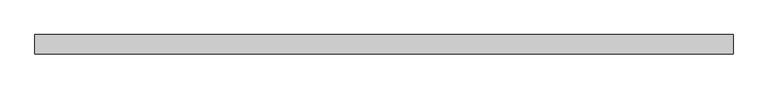
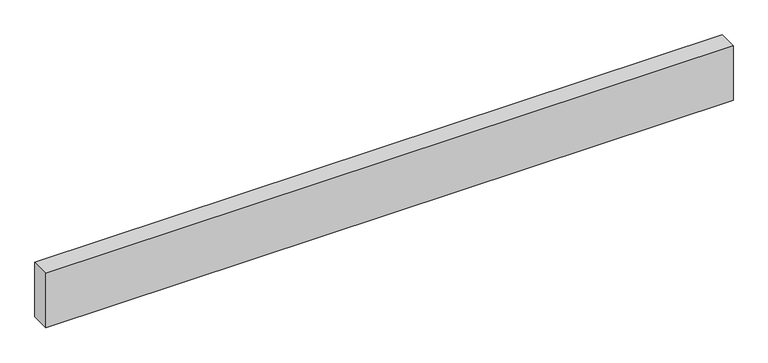
"""IFC4 building model written with IfcOpenShell, lengths in millimetres: proxy geometry."""

from ifc_helpers import new_model, si_unit, origin, origin_with_axes, place, context, project, spatial, polyline, outline, extrude, source, transform, mapped, element, save


def generic_models_f00e651c(model_context):
    return source(origin(), model_context, "Body", "SweptSolid", [
        extrude(outline(polyline([(3589.2450153, 0.0), (3589.2450153, -100.0), (0.0, -100.0), (0.0, 0.0), (3589.2450153, 0.0)])), origin_with_axes(), (0.0, 0.0, 1.0), 300.0),
    ])


if __name__ == "__main__":
    model = new_model("IFC4")
    model_context = context("Model", 3, world=origin())
    ifc_project = project(units=[si_unit("LENGTHUNIT", "METRE", prefix="MILLI")], contexts=[model_context])
    site = spatial("IfcSite", under=ifc_project)
    building = spatial("IfcBuilding", under=site)
    placement = place(None, origin())
    generic_models_shape = generic_models_f00e651c(model_context)
    element("IfcBuildingElementProxy", 1, Name="Generic Models", at=placement, inside=building, context=model_context, shape_type="MappedRepresentation", body=[
        mapped(generic_models_shape, transform((0.0, 0.0, 0.0), x_axis=(1.0, 0.0, 0.0), y_axis=(0.0, 1.0, 0.0), z_axis=(0.0, 0.0, 1.0))),
    ])
    save(model, "model.ifc")
